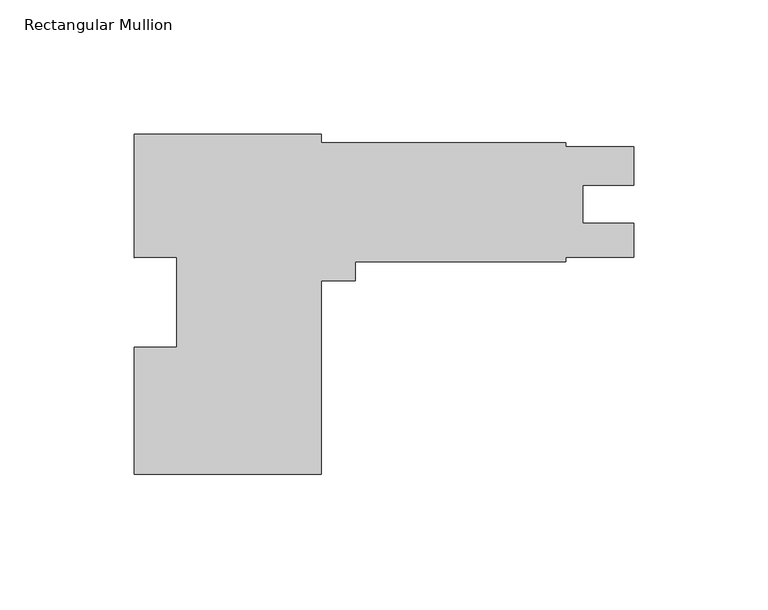
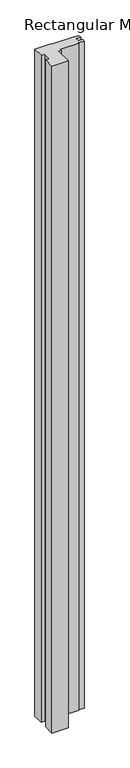
"""IFC4 building model written with IfcOpenShell, lengths in millimetres: member geometry, Rectangular Mullion."""

from ifc_helpers import new_model, si_unit, frame, origin, place, context, project, spatial, polyline, outline, extrude, source, transform, mapped, element, save


def rectangular_mullion_053b5c92(model_context):
    return source(origin(), model_context, "Body", "SweptSolid", [
        extrude(outline(polyline([(-116.68125, 63.5889), (-116.68125, 60.4139), (-25.4, 60.4139), (-25.4, 58.8263837), (0.0, 58.8263837), (0.0, 44.5643), (-19.0372991, 44.5643), (-19.0372991, 30.2768), (0.0, 30.2768), (0.0, 17.5641), (-25.4, 17.5641), (-25.4, 15.9639), (-103.98125, 15.9639), (-103.98125, 8.801227), (-116.68125, 8.801227), (-116.68125, -63.4111), (-186.53125, -63.4111), (-186.53125, -15.9512), (-170.65625, -15.9512), (-170.65625, 17.6736121), (-186.53125, 17.4795629), (-186.53125, 63.5889), (-116.68125, 63.5889)])), frame((0.0, 0.0, -3048.0), z_axis=(0.0, 0.0, 1.0), x_axis=(1.0, 0.0, 0.0)), (0.0, 0.0, 1.0), 3048.0),
    ])


if __name__ == "__main__":
    model = new_model("IFC4")
    model_context = context("Model", 3, world=origin())
    ifc_project = project(units=[si_unit("LENGTHUNIT", "METRE", prefix="MILLI")], contexts=[model_context])
    site = spatial("IfcSite", under=ifc_project)
    building = spatial("IfcBuilding", under=site)
    placement = place(None, origin())
    rectangular_mullion_shape = rectangular_mullion_053b5c92(model_context)
    element("IfcMember", 1, ObjectType="Rectangular Mullion", at=placement, inside=building, context=model_context, shape_type="MappedRepresentation", body=[
        mapped(rectangular_mullion_shape, transform((0.0, 0.0, 0.0), x_axis=(1.0, 0.0, 0.0), y_axis=(0.0, 1.0, 0.0), z_axis=(0.0, 0.0, 1.0))),
    ])
    save(model, "model.ifc")
